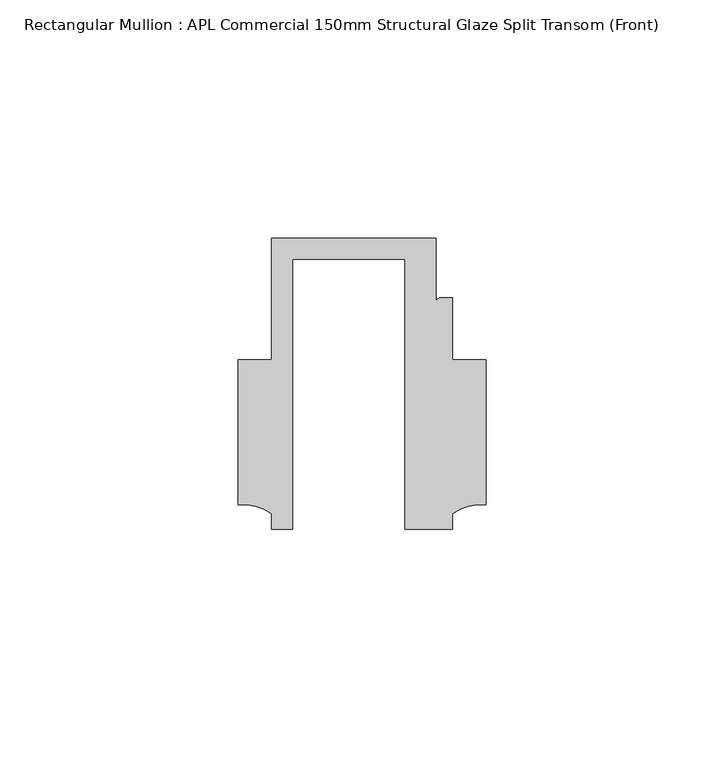
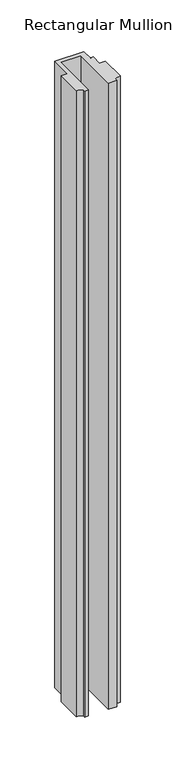
"""IFC4 building model written with IfcOpenShell, lengths in millimetres: member geometry, Rectangular Mullion : APL Commercial 150mm Structural Glaze Split Transom (Front)."""

from ifc_helpers import new_model, si_unit, point, frame, frame_2d, origin, place, context, project, spatial, polyline, circle_curve, trimmed, segment, composite_curve, outline, extrude, source, transform, mapped, element, save


def rectangular_mullion_apl_commercial_150mm_structural_glaze_77b970f2(model_context):
    return source(origin(), model_context, "Body", "SweptSolid", [
        extrude(outline(composite_curve([segment(polyline([(-23.5949354, -20.5), (-28.0000482, -20.5), (-28.0000482, -17.3123419)]), True, "CONTINUOUS"), segment(trimmed(circle_curve(frame_2d((-34.10985, -25.7980019)), 10.4563907), [point((-28.0000482, -17.3123419))], [point((-34.9999873, -15.3795682))], True, "CARTESIAN"), True, "CONTINUOUS"), segment(polyline([(-34.9999873, -15.3795682), (-34.9999873, 15.001276), (-28.0000482, 15.001276), (-28.0000482, 40.499932), (6.5000029, 40.499932), (6.5000029, 27.0002131)]), True, "CONTINUOUS"), segment(trimmed(circle_curve(frame_2d((7.5000029, 27.0002131)), 1.0), [point((6.5000029, 27.0002131))], [point((7.5000029, 28.0002131))], False, "CARTESIAN"), True, "CONTINUOUS"), segment(polyline([(7.5000029, 28.0002131), (10.0000029, 28.0002131), (10.0000029, 15.0004617), (16.999942, 15.0004617), (16.999942, -15.3793686)]), True, "CONTINUOUS"), segment(trimmed(circle_curve(frame_2d((16.1098048, -25.7978024)), 10.4563907), [point((16.999942, -15.3793686))], [point((10.0000029, -17.3121423))], True, "CARTESIAN"), True, "CONTINUOUS"), segment(polyline([(10.0000029, -17.3121423), (10.0000029, -20.5), (0.0, -20.5), (0.0, 36.1008577), (-23.5949354, 36.1008577), (-23.5949354, -20.5)]), True, "CONTINUOUS")], self_intersect=False)), frame((0.0, 0.0, -782.1423127), z_axis=(0.0, 0.0, 1.0), x_axis=(1.0, 0.0, 0.0)), (0.0, 0.0, 1.0), 782.1423127),
    ])


if __name__ == "__main__":
    model = new_model("IFC4")
    model_context = context("Model", 3, world=origin())
    ifc_project = project(units=[si_unit("LENGTHUNIT", "METRE", prefix="MILLI")], contexts=[model_context])
    site = spatial("IfcSite", under=ifc_project)
    building = spatial("IfcBuilding", under=site)
    placement = place(None, origin())
    rectangular_mullion_apl_commercial_150mm_structural_glaze_shape = rectangular_mullion_apl_commercial_150mm_structural_glaze_77b970f2(model_context)
    element("IfcMember", 1, ObjectType="Rectangular Mullion : APL Commercial 150mm Structural Glaze Split Transom (Front)", at=placement, inside=building, context=model_context, shape_type="MappedRepresentation", body=[
        mapped(rectangular_mullion_apl_commercial_150mm_structural_glaze_shape, transform((0.0, 0.0, 0.0), x_axis=(1.0, 0.0, 0.0), y_axis=(0.0, 1.0, 0.0), z_axis=(0.0, 0.0, 1.0))),
    ])
    save(model, "model.ifc")
